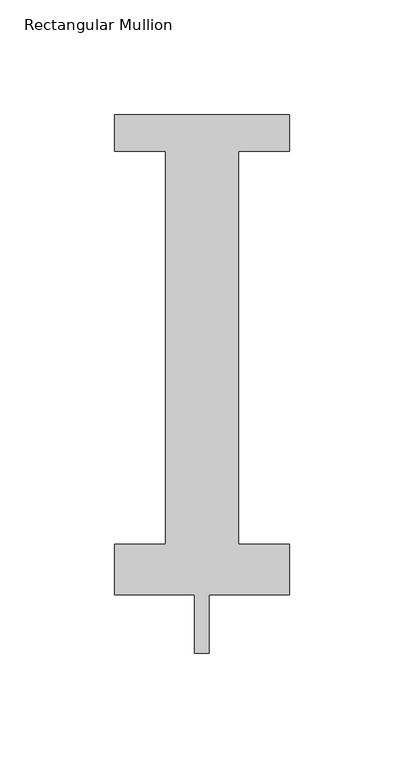
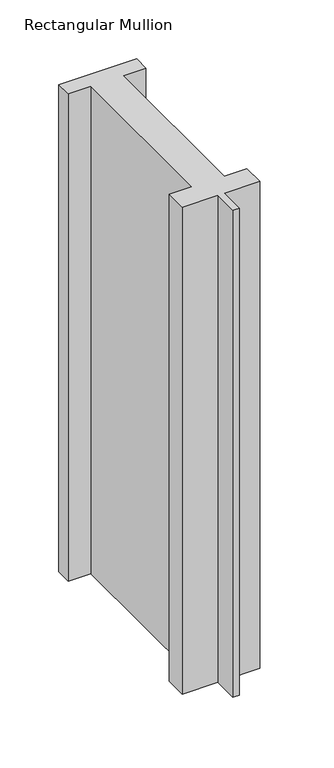
"""IFC4 building model written with IfcOpenShell, lengths in millimetres: member geometry, Rectangular Mullion."""

from ifc_helpers import new_model, si_unit, frame, origin, place, context, project, spatial, polyline, outline, extrude, source, transform, mapped, element, save


def rectangular_mullion_7acd5062(model_context):
    return source(origin(), model_context, "Body", "SweptSolid", [
        extrude(outline(polyline([(38.1, 221.996), (38.1, 206.121), (15.875, 206.121), (15.875, 34.671), (38.1, 34.671), (38.1, 12.7), (3.175, 12.7), (3.175, -12.7), (-3.175, -12.7), (-3.175, 12.7), (-38.1, 12.7), (-38.1, 34.671), (-15.875, 34.671), (-15.875, 206.121), (-38.1, 206.121), (-38.1, 221.996), (38.1, 221.996)])), frame((0.0, 0.0, -504.825), z_axis=(0.0, 0.0, 1.0), x_axis=(1.0, 0.0, 0.0)), (0.0, 0.0, 1.0), 504.825),
    ])


if __name__ == "__main__":
    model = new_model("IFC4")
    model_context = context("Model", 3, world=origin())
    ifc_project = project(units=[si_unit("LENGTHUNIT", "METRE", prefix="MILLI")], contexts=[model_context])
    site = spatial("IfcSite", under=ifc_project)
    building = spatial("IfcBuilding", under=site)
    placement = place(None, origin())
    rectangular_mullion_shape = rectangular_mullion_7acd5062(model_context)
    element("IfcMember", 1, ObjectType="Rectangular Mullion", at=placement, inside=building, context=model_context, shape_type="MappedRepresentation", body=[
        mapped(rectangular_mullion_shape, transform((0.0, 0.0, 0.0), x_axis=(1.0, 0.0, 0.0), y_axis=(0.0, 1.0, 0.0), z_axis=(0.0, 0.0, 1.0))),
    ])
    save(model, "model.ifc")
